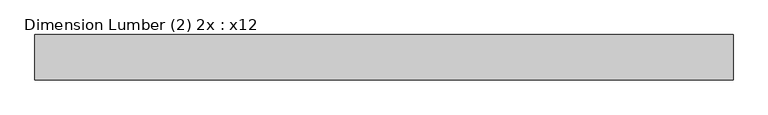
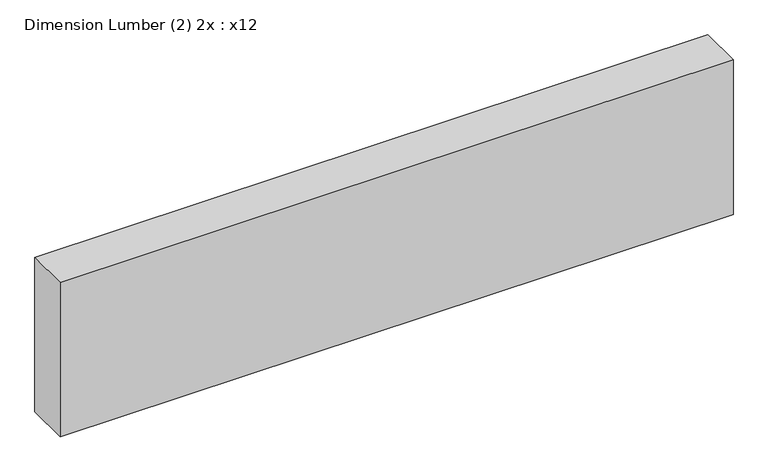
"""IFC4 building model written with IfcOpenShell, lengths in millimetres: beam geometry, Dimension Lumber (2) 2x : x12."""

from ifc_helpers import new_model, si_unit, frame, origin, place, context, project, spatial, polyline, outline, extrude, source, transform, mapped, element, save


def dimension_lumber_2_2x_x12_a14a27b4(model_context):
    return source(origin(), model_context, "Body", "SweptSolid", [
        extrude(outline(polyline([(569.214, 38.1), (569.214, -38.1), (-607.314, -38.1), (-607.314, 38.1), (569.214, 38.1)])), frame((0.0, 0.0, -142.875), z_axis=(0.0, 0.0, 1.0), x_axis=(1.0, 0.0, 0.0)), (0.0, 0.0, 1.0), 285.75),
    ])


if __name__ == "__main__":
    model = new_model("IFC4")
    model_context = context("Model", 3, world=origin())
    ifc_project = project(units=[si_unit("LENGTHUNIT", "METRE", prefix="MILLI")], contexts=[model_context])
    site = spatial("IfcSite", under=ifc_project)
    building = spatial("IfcBuilding", under=site)
    placement = place(None, origin())
    dimension_lumber_2_2x_x12_shape = dimension_lumber_2_2x_x12_a14a27b4(model_context)
    element("IfcBeam", 1, ObjectType="Dimension Lumber (2) 2x : x12", at=placement, inside=building, context=model_context, shape_type="MappedRepresentation", body=[
        mapped(dimension_lumber_2_2x_x12_shape, transform((0.0, 0.0, 0.0), x_axis=(1.0, 0.0, 0.0), y_axis=(0.0, 1.0, 0.0), z_axis=(0.0, 0.0, 1.0))),
    ])
    save(model, "model.ifc")
